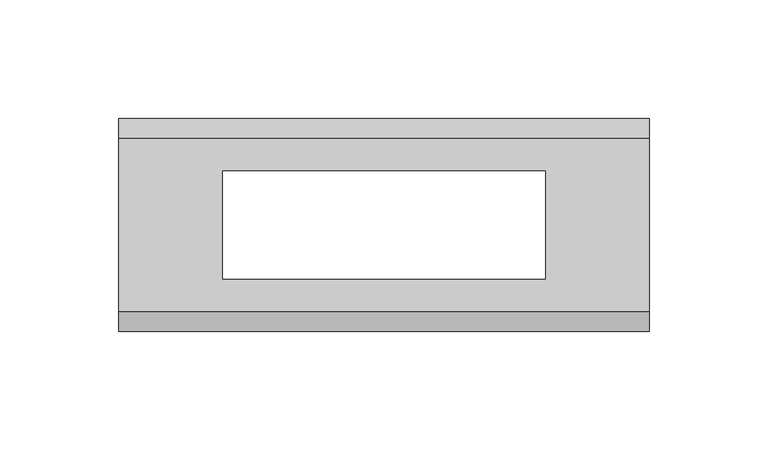
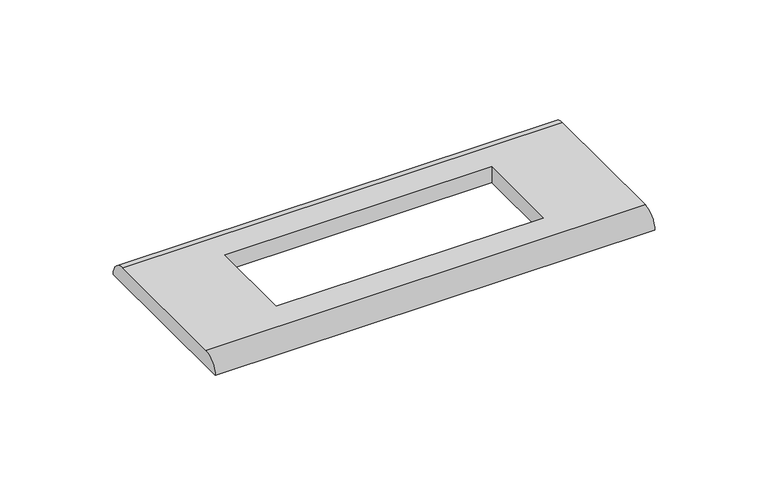
"""IFC4 building model written with IfcOpenShell, lengths in millimetres: proxy geometry."""

from ifc_helpers import new_model, si_unit, frame, origin, place, context, project, spatial, circle_curve, source, transform, mapped, element, save
from ifc_brep_helpers import plane_surface, cylinder_surface, advanced_brep


def electrical_fixtures_1afe1a68(model_context):
    return source(origin(), model_context, "Body", "AdvancedBrep", [
        advanced_brep(
        [(112.0, 36.5, 8.5), (-112.0, 36.5, 8.5), (-112.0, -36.5, 8.5), (112.0, -36.5, 8.5), (-68.0, 22.75, 8.5), (68.0, 22.75, 8.5), (68.0, -22.75, 8.5), (-68.0, -22.75, 8.5), (112.0, 45.0, 0.0), (112.0, -45.0, 0.0), (-112.0, -45.0, 0.0), (-112.0, 45.0, 0.0), (68.0, 22.75, 0.0), (-68.0, 22.75, 0.0), (-68.0, -22.75, 0.0), (68.0, -22.75, 0.0)],
        [
            (0, 1),
            (1, 2),
            (2, 3),
            (3, 0),
            (4, 5),
            (5, 6),
            (6, 7),
            (7, 4),
            (8, 9),
            (9, 10),
            (10, 11),
            (11, 8),
            (12, 13),
            (13, 14),
            (14, 15),
            (15, 12),
            (10, 2, circle_curve(frame((-112.0, -36.5, 0.0), z_axis=(-1.0, 0.0, 0.0), x_axis=(0.0, 1.0, 0.0)), 8.5)),
            (1, 11, circle_curve(frame((-112.0, 36.5, 0.0), z_axis=(-1.0, 0.0, 0.0), x_axis=(0.0, -1.0, 0.0)), 8.5)),
            (8, 0, circle_curve(frame((112.0, 36.5, 0.0), z_axis=(1.0, 0.0, 0.0), x_axis=(0.0, -1.0, 0.0)), 8.5)),
            (3, 9, circle_curve(frame((112.0, -36.5, 0.0), z_axis=(1.0, 0.0, 0.0), x_axis=(0.0, 1.0, 0.0)), 8.5)),
            (4, 13),
            (12, 5),
            (7, 14),
            (6, 15),
        ],
        [
            plane_surface(frame((-112.0, 45.0, 8.5), z_axis=(0.0, 0.0, 1.0), x_axis=(0.0, -1.0, 0.0))),
            plane_surface(frame((-112.0, 45.0, 0.0), z_axis=(0.0, 0.0, -1.0), x_axis=(0.0, 1.0, 0.0))),
            plane_surface(frame((-112.0, 45.0, 8.5), z_axis=(-1.0, 0.0, 0.0), x_axis=(0.0, 0.0, -1.0))),
            plane_surface(frame((112.0, -45.0, 8.5), z_axis=(1.0, 0.0, 0.0), x_axis=(0.0, 0.0, -1.0))),
            plane_surface(frame((68.0, 22.75, 8.5), z_axis=(0.0, -1.0, 0.0), x_axis=(0.0, 0.0, -1.0))),
            plane_surface(frame((-68.0, 22.75, 8.5), z_axis=(1.0, 0.0, 0.0), x_axis=(0.0, 0.0, -1.0))),
            plane_surface(frame((-68.0, -22.75, 8.5), z_axis=(0.0, 1.0, 0.0), x_axis=(0.0, 0.0, -1.0))),
            plane_surface(frame((68.0, -22.75, 8.5), z_axis=(-1.0, 0.0, 0.0), x_axis=(0.0, 0.0, -1.0))),
            cylinder_surface(frame((112.0, 36.5, 0.0), z_axis=(-1.0, 0.0, 0.0), x_axis=(0.0, -1.0, 0.0)), 8.5),
            cylinder_surface(frame((112.0, -36.5, 0.0), z_axis=(-1.0, 0.0, 0.0), x_axis=(0.0, 1.0, 0.0)), 8.5),
        ],
        [
            (0, [[1, 2, 3, 4], [5, 6, 7, 8]]),
            (1, [[9, 10, 11, 12], [13, 14, 15, 16]]),
            (2, [[-11, 17, -2, 18]]),
            (3, [[-9, 19, -4, 20]]),
            (4, [[21, -13, 22, -5]]),
            (5, [[-21, -8, 23, -14]]),
            (6, [[-23, -7, 24, -15]]),
            (7, [[-22, -16, -24, -6]]),
            (8, [[-1, -19, -12, -18]]),
            (9, [[-3, -17, -10, -20]]),
        ],
    ),
    ])


if __name__ == "__main__":
    model = new_model("IFC4")
    model_context = context("Model", 3, world=origin())
    ifc_project = project(units=[si_unit("LENGTHUNIT", "METRE", prefix="MILLI")], contexts=[model_context])
    site = spatial("IfcSite", under=ifc_project)
    building = spatial("IfcBuilding", under=site)
    placement = place(None, origin())
    electrical_fixtures_shape = electrical_fixtures_1afe1a68(model_context)
    element("IfcBuildingElementProxy", 1, Name="Electrical Fixtures", at=placement, inside=building, context=model_context, shape_type="MappedRepresentation", body=[
        mapped(electrical_fixtures_shape, transform((0.0, 0.0, 0.0), x_axis=(1.0, 0.0, 0.0), y_axis=(0.0, 1.0, 0.0), z_axis=(0.0, 0.0, 1.0))),
    ])
    save(model, "model.ifc")
